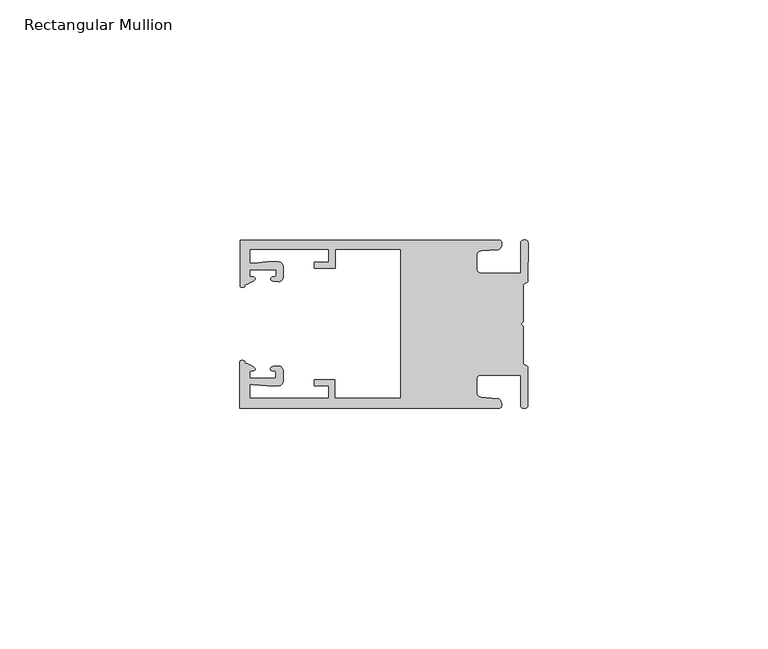
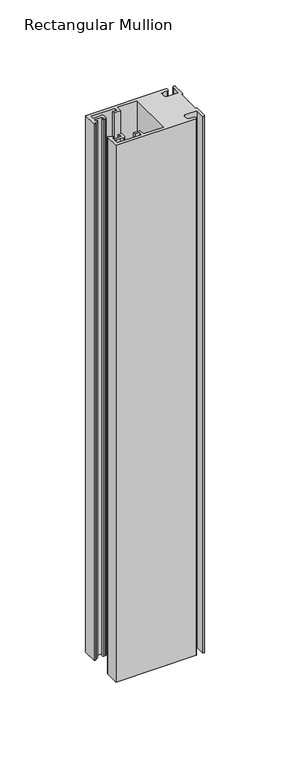
"""IFC4 building model written with IfcOpenShell, lengths in millimetres: member geometry, Rectangular Mullion."""

from ifc_helpers import new_model, si_unit, frame, origin, place, context, project, spatial, circle_curve, source, transform, mapped, element, save
from ifc_brep_helpers import plane_surface, cylinder_surface, extruded_surface, spline_curve, advanced_brep


def rectangular_mullion_5c6021ec(model_context):
    return source(origin(), model_context, "Body", "AdvancedBrep", [
        advanced_brep(
        [(-60.0749377, 17.5111528, 0.0), (-60.0749377, 8.0140787, 0.0), (-59.3252567, 7.7187455, 0.0), (-58.4967974, 8.36785, 0.0), (-58.0726619, 10.1173923, 0.0), (-58.0713101, 11.3673916, 0.0), (-52.5713133, 11.3614437, 0.0), (-52.5726651, 10.1114444, 0.0), (-53.1427626, 8.8955539, 0.0), (-52.0740172, 8.8609044, 0.0), (-51.0729364, 9.8598224, 0.0), (-51.0706653, 11.9598211, 0.0), (-52.0700692, 12.9609024, 0.0), (-54.3905105, 12.9622843, 0.0), (-57.1599646, 12.7230061, 0.0), (-58.0696339, 12.9173907, 0.0), (-58.066768, 15.5673891, 0.0), (-41.5667584, 15.5673891, 0.0), (-41.5695894, 12.9495468, 0.0), (-44.5695877, 12.9527912, 0.0), (-44.5709936, 11.6527919, 0.0), (-40.2709961, 11.6481417, 0.0), (-40.2667576, 15.5673891, 0.0), (-26.6002952, 15.5673891, 0.0), (-26.6002952, -15.4518424, 0.0), (-40.3003032, -15.4518424, 0.0), (-40.2960856, -11.5518447, 0.0), (-44.5960831, -11.5471945, 0.0), (-44.597489, -12.8471938, 0.0), (-41.5974907, -12.8504381, 0.0), (-41.6003025, -15.4504366, 0.0), (-58.1002928, -15.4325927, 0.0), (-58.097427, -12.7825943, 0.0), (-57.1873395, -12.5901776, 0.0), (-54.4184094, -12.8354453, 0.0), (-52.0979705, -12.8390822, 0.0), (-51.0964037, -11.8401649, 0.0), (-51.0941327, -9.7401662, 0.0), (-52.0930507, -8.7390853, 0.0), (-53.1618685, -8.7714231, 0.0), (-52.5944022, -9.9885439, 0.0), (-52.595754, -11.2385431, 0.0), (-58.0957508, -11.2325952, 0.0), (-58.094399, -9.9825959, 0.0), (-58.5147494, -8.2321403, 0.0), (-59.3418028, -7.5812455, 0.0), (-60.0921208, -7.8749565, 0.0), (-60.0921208, -17.4888267, 0.0), (-6.1024861, -17.4888267, 0.0), (-6.5218639, -15.488372, 0.0), (-9.8784944, -15.2205466, 0.0), (-10.7989567, -14.2226333, 0.0), (-10.7961029, -11.5837474, 0.0), (-9.8734844, -10.5878272, 0.0), (-1.5950266, -10.5934991, 0.0), (-1.601948, -16.9936935, 0.0), (-0.1017194, -16.7830581, 0.0), (-0.0933208, -9.0170082, 0.0), (-1.0923837, -8.1499018, 0.0), (-1.0842165, -0.5977972, 0.0), (-1.0829111, 0.6093089, 0.0), (-1.0747439, 8.1614135, 0.0), (-0.0738079, 9.026357, 0.0), (-0.0654093, 16.7924069, 0.0), (-1.5651789, 17.0062866, 0.0), (-1.5651789, 10.6183257, 0.0), (-9.8505511, 10.6183257, 0.0), (-10.7710133, 11.6162391, 0.0), (-10.7681595, 14.255125, 0.0), (-9.845541, 15.2510452, 0.0), (-6.4883391, 15.5116099, 0.0), (-6.0646356, 17.5111528, 0.0), (-60.0749377, 17.5111528, -381.1666665), (-6.0646356, 17.5111528, -381.1666665), (-6.4883391, 15.5116099, -381.1666665), (-9.845541, 15.2510452, -381.1666665), (-10.7681595, 14.255125, -381.1666665), (-10.7710133, 11.6162391, -381.1666665), (-9.8505511, 10.6183257, -381.1666665), (-1.5651789, 10.6183257, -381.1666665), (-1.5651789, 17.0062866, -381.1666665), (-0.0654093, 16.7924069, -381.1666665), (-0.0738079, 9.026357, -381.1666665), (-1.0747439, 8.1614135, -381.1666665), (-1.0829111, 0.6093089, -381.1666665), (-1.0842165, -0.5977972, -381.1666665), (-1.0923837, -8.1499018, -381.1666665), (-0.0933208, -9.0170082, -381.1666665), (-0.1017194, -16.7830581, -381.1666665), (-1.601948, -16.9936935, -381.1666665), (-1.5950266, -10.5934991, -381.1666665), (-9.8734844, -10.5878272, -381.1666665), (-10.7961029, -11.5837474, -381.1666665), (-10.7989567, -14.2226333, -381.1666665), (-9.8784944, -15.2205466, -381.1666665), (-6.5218639, -15.488372, -381.1666665), (-6.1024861, -17.4888267, -381.1666665), (-60.0921208, -17.4888267, -381.1666665), (-60.0921208, -7.8749565, -381.1666665), (-59.3418028, -7.5812455, -381.1666665), (-58.5147494, -8.2321403, -381.1666665), (-58.094399, -9.9825959, -381.1666665), (-58.0957508, -11.2325952, -381.1666665), (-52.595754, -11.2385431, -381.1666665), (-52.5944022, -9.9885439, -381.1666665), (-53.1618685, -8.7714231, -381.1666665), (-52.0930507, -8.7390853, -381.1666665), (-51.0941327, -9.7401662, -381.1666665), (-51.0964037, -11.8401649, -381.1666665), (-52.0979705, -12.8390823, -381.1666665), (-54.4184094, -12.8354453, -381.1666665), (-57.1873395, -12.5901776, -381.1666665), (-58.097427, -12.7825943, -381.1666665), (-58.1002928, -15.4325927, -381.1666665), (-41.6003025, -15.4504366, -381.1666665), (-41.5974907, -12.8504381, -381.1666665), (-44.597489, -12.8471938, -381.1666665), (-44.5960831, -11.5471945, -381.1666665), (-40.2960856, -11.5518447, -381.1666665), (-40.3003032, -15.4518424, -381.1666665), (-26.6002952, -15.4518424, -381.1666665), (-26.6002952, 15.5673891, -381.1666665), (-40.2667576, 15.5673891, -381.1666665), (-40.2709961, 11.6481417, -381.1666665), (-44.5709936, 11.6527919, -381.1666665), (-44.5695877, 12.9527912, -381.1666665), (-41.5695894, 12.9495468, -381.1666665), (-41.5667584, 15.5673891, -381.1666665), (-58.066768, 15.5673891, -381.1666665), (-58.0696339, 12.9173907, -381.1666665), (-57.1599646, 12.7230061, -381.1666665), (-54.3905105, 12.9622843, -381.1666665), (-52.0700692, 12.9609023, -381.1666665), (-51.0706653, 11.9598211, -381.1666665), (-51.0729364, 9.8598224, -381.1666665), (-52.0740172, 8.8609044, -381.1666665), (-53.1427626, 8.8955539, -381.1666665), (-52.5726651, 10.1114444, -381.1666665), (-52.5713133, 11.3614437, -381.1666665), (-58.0713101, 11.3673916, -381.1666665), (-58.0726619, 10.1173923, -381.1666665), (-58.4967974, 8.36785, -381.1666665), (-59.3252567, 7.7187455, -381.1666665), (-60.0749377, 8.0140787, -381.1666665)],
        [
            (0, 1),
            (1, 2, spline_curve(3, [(-60.0749377, 8.0140787, 0.0), (-60.075233123, 7.740904774, 0.0), (-59.825339491, 7.642460332, 0.0), (-59.3252567, 7.7187455, 0.0)], [4, 4], [0.0, 0.0019169337574178654])),
            (2, 3, spline_curve(3, [(-59.3252567, 7.7187455, 0.0), (-59.094460914, 7.75918372, 0.0), (-59.054835463, 7.902257199, 0.0), (-59.05559987, 8.233305614, 0.0), (-59.138729113, 8.4134359, 0.0), (-58.4967974, 8.36785, 0.0)], [4, 2, 4], [0.0, 0.0010199524164107188, 0.0024874514725970356])),
            (3, 4, spline_curve(3, [(-58.4967974, 8.36785, 0.0), (-57.022393378, 9.053435667, 0.0), (-56.827266887, 9.364828726, 0.0), (-56.982213078, 9.742623404, 0.0), (-57.177375211, 9.855581791, 0.0), (-57.697928101, 9.887955071, 0.0), (-57.997449153, 9.835475348, 0.0), (-58.0726619, 10.1173923, 0.0)], [4, 2, 2, 4], [0.0, 0.003269869179570428, 0.005490050486237203, 0.0073545767114364426])),
            (4, 5),
            (5, 6),
            (6, 7),
            (7, 8, spline_curve(3, [(-52.5726651, 10.1114444, 0.0), (-52.667195519, 9.760172042, 0.0), (-52.937094388, 9.861877724, 0.0), (-53.356237032, 9.895631753, 0.0), (-53.491940439, 9.811038713, 0.0), (-53.761900775, 9.511438033, 0.0), (-53.892893546, 9.278787104, 0.0), (-53.1427626, 8.8955539, 0.0)], [4, 2, 2, 4], [0.0, 0.001593963049934732, 0.0033360256320283306, 0.005339140673503943])),
            (8, 9),
            (9, 10, circle_curve(frame((-52.0729358, 9.8609038, 0.0), z_axis=(0.0, 0.0, 1.0), x_axis=(-0.0010814451158600304, -0.9999994152380598, 0.0)), 1.0)),
            (10, 11),
            (11, 12, circle_curve(frame((-52.0706647, 11.9609026, 0.0), z_axis=(0.0, 0.0, 1.0), x_axis=(-0.0010814451158600304, -0.9999994152380598, 0.0)), 1.0)),
            (12, 13),
            (13, 14),
            (14, 15, spline_curve(3, [(-57.1599646, 12.7230061, 0.0), (-57.631533854, 12.682262968, 0.0), (-58.018602985, 12.477800124, 0.0), (-58.0696339, 12.9173907, 0.0)], [4, 4], [0.0, 0.0014803385355886016])),
            (15, 16),
            (16, 17),
            (17, 18),
            (18, 19),
            (19, 20),
            (20, 21),
            (21, 22),
            (22, 23),
            (23, 24),
            (24, 25),
            (25, 26),
            (26, 27),
            (27, 28),
            (28, 29),
            (29, 30),
            (30, 31),
            (31, 32),
            (32, 33, spline_curve(3, [(-58.097427, -12.7825943, 0.0), (-58.045445419, -12.343115126, 0.0), (-57.658819528, -12.548414611, 0.0), (-57.1873395, -12.5901776, 0.0)], [4, 4], [0.0, 0.0014803385355886016])),
            (33, 34),
            (34, 35),
            (35, 36, circle_curve(frame((-52.0964031, -11.8390835, 0.0), z_axis=(0.0, 0.0, 1.0), x_axis=(0.0010814451158600304, 0.9999994152380598, 0.0)), 1.0)),
            (36, 37),
            (37, 38, circle_curve(frame((-52.0941321, -9.7390847, 0.0), z_axis=(0.0, 0.0, 1.0), x_axis=(0.0010814451158600304, 0.9999994152380598, 0.0)), 1.0)),
            (38, 39),
            (39, 40, spline_curve(3, [(-53.1618685, -8.7714231, 0.0), (-53.912826582, -9.153032958, 0.0), (-53.782337352, -9.385966711, 0.0), (-53.51302565, -9.686150585, 0.0), (-53.377505444, -9.771037009, 0.0), (-52.958290774, -9.738189618, 0.0), (-52.688172635, -9.637067904, 0.0), (-52.5944022, -9.9885439, 0.0)], [4, 2, 2, 4], [0.0, 0.002003115041475612, 0.0037451776235692107, 0.005339140673503943])),
            (40, 41),
            (41, 42),
            (42, 43),
            (43, 44, spline_curve(3, [(-58.094399, -9.9825959, 0.0), (-58.018576674, -9.700842284, 0.0), (-57.719169706, -9.753969703, 0.0), (-57.198548014, -9.722722397, 0.0), (-57.003142178, -9.61018632, 0.0), (-56.847379222, -9.232727657, 0.0), (-57.041831673, -8.920913336, 0.0), (-58.5147494, -8.2321403, 0.0)], [4, 2, 2, 4], [0.0, 0.0018645262251992395, 0.004084707531866015, 0.0073545767114364426])),
            (44, 45, spline_curve(3, [(-58.5147494, -8.2321403, 0.0), (-59.156778208, -8.276337666, 0.0), (-59.073259494, -8.096387681, 0.0), (-59.071779067, -7.765341694, 0.0), (-59.111095017, -7.622182811, 0.0), (-59.3418028, -7.5812455, 0.0)], [4, 2, 4], [0.0, 0.0014674990561863168, 0.0024874514725970356])),
            (45, 46, spline_curve(3, [(-59.3418028, -7.5812455, 0.0), (-59.841719425, -7.503878887, 0.0), (-60.091825377, -7.601782574, 0.0), (-60.0921208, -7.8749565, 0.0)], [4, 4], [0.0, 0.0019169337574178654])),
            (46, 47),
            (47, 48),
            (48, 49, spline_curve(3, [(-6.1024861, -17.4888267, 0.0), (-5.074532184, -17.418062188, 0.0), (-5.631140689, -15.411414367, 0.0), (-6.5218639, -15.488372, 0.0)], [4, 4], [0.0, 0.0043819361547461745])),
            (49, 50),
            (50, 51, spline_curve(3, [(-9.8784944, -15.2205466, 0.0), (-10.440691543, -15.150698463, 0.0), (-10.74751234, -14.818060727, 0.0), (-10.7989567, -14.2226333, 0.0)], [4, 4], [0.0, 0.0028645797420738927])),
            (51, 52),
            (52, 53, spline_curve(3, [(-10.7961029, -11.5837474, 0.0), (-10.743370817, -10.988432634, 0.0), (-10.435831301, -10.656459204, 0.0), (-9.8734844, -10.5878272, 0.0)], [4, 4], [0.0, 0.0028645797420738927])),
            (53, 54),
            (54, 55),
            (55, 56, spline_curve(3, [(-1.601948, -16.9936935, 0.0), (-1.655676874, -17.600261454, 0.0), (-0.043737403, -17.912795581, 0.0), (-0.1017194, -16.7830581, 0.0)], [4, 4], [0.0, 0.0036987374396357936])),
            (56, 57),
            (57, 58, spline_curve(3, [(-0.0933208, -9.0170082, 0.0), (-0.018818183, -8.695886697, 0.0), (-1.193434327, -8.459763043, 0.0), (-1.0923837, -8.1499018, 0.0)], [4, 4], [0.0, 0.002027216749630121])),
            (58, 59),
            (59, 60, spline_curve(3, [(-1.0842165, -0.5977972, 0.0), (-1.013223198, -0.445980437, 0.0), (-1.487945123, -0.206736825, 0.0), (-1.487409651, 0.231097965, 0.0), (-0.999110985, 0.429090391, 0.0), (-1.0829111, 0.6093089, 0.0)], [4, 2, 4], [0.0, 0.00249866671847065, 0.005031402919736269])),
            (60, 61),
            (61, 62, spline_curve(3, [(-1.0747439, 8.1614135, 0.0), (-1.175124095, 8.47149258, 0.0), (-7e-09, 8.705075107, 0.0), (-0.0738079, 9.026357, 0.0)], [4, 4], [0.0, 0.002027216749630121])),
            (62, 63),
            (63, 64, spline_curve(3, [(-0.0654093, 16.7924069, 0.0), (-0.004983942, 17.92201633, 0.0), (-1.617595709, 17.612969344, 0.0), (-1.5651789, 17.0062866, 0.0)], [4, 4], [0.0, 0.0036987374396357936])),
            (64, 65),
            (65, 66),
            (66, 67, spline_curve(3, [(-9.8505511, 10.6183257, 0.0), (-10.412748243, 10.688173837, 0.0), (-10.71956894, 11.020811673, 0.0), (-10.7710133, 11.6162391, 0.0)], [4, 4], [0.0, 0.0028645797420738927])),
            (67, 68),
            (68, 69, spline_curve(3, [(-10.7681595, 14.255125, 0.0), (-10.715427417, 14.850439766, 0.0), (-10.407887901, 15.182413196, 0.0), (-9.845541, 15.2510452, 0.0)], [4, 4], [0.0, 0.0028645797420738927])),
            (69, 70),
            (70, 71, spline_curve(3, [(-6.4883391, 15.5116099, 0.0), (-5.597784423, 15.432725911, 0.0), (-5.036837144, 17.438165103, 0.0), (-6.0646356, 17.5111528, 0.0)], [4, 4], [0.0, 0.0043819361547461745])),
            (71, 0),
            (72, 73),
            (73, 74, spline_curve(3, [(-6.0646356, 17.5111528, -381.1666665), (-5.036837144, 17.438165103, -381.1666665), (-5.597784423, 15.432725911, -381.1666665), (-6.4883391, 15.5116099, -381.1666665)], [4, 4], [0.0, 0.0043819361547461745])),
            (74, 75),
            (75, 76, spline_curve(3, [(-9.845541, 15.2510452, -381.1666665), (-10.407887901, 15.182413196, -381.1666665), (-10.715427417, 14.850439766, -381.1666665), (-10.7681595, 14.255125, -381.1666665)], [4, 4], [0.0, 0.0028645797420738927])),
            (76, 77),
            (77, 78, spline_curve(3, [(-10.7710133, 11.6162391, -381.1666665), (-10.71956894, 11.020811673, -381.1666665), (-10.412748243, 10.688173837, -381.1666665), (-9.8505511, 10.6183257, -381.1666665)], [4, 4], [0.0, 0.0028645797420738927])),
            (78, 79),
            (79, 80),
            (80, 81, spline_curve(3, [(-1.5651789, 17.0062866, -381.1666665), (-1.617595709, 17.612969344, -381.1666665), (-0.004983942, 17.92201633, -381.1666665), (-0.0654093, 16.7924069, -381.1666665)], [4, 4], [0.0, 0.0036987374396357936])),
            (81, 82),
            (82, 83, spline_curve(3, [(-0.0738079, 9.026357, -381.1666665), (-7e-09, 8.705075107, -381.1666665), (-1.175124095, 8.47149258, -381.1666665), (-1.0747439, 8.1614135, -381.1666665)], [4, 4], [0.0, 0.002027216749630121])),
            (83, 84),
            (84, 85, spline_curve(3, [(-1.0829111, 0.6093089, -381.1666665), (-0.999110985, 0.429090391, -381.1666665), (-1.487409651, 0.231097965, -381.1666665), (-1.487945123, -0.206736825, -381.1666665), (-1.013223198, -0.445980437, -381.1666665), (-1.0842165, -0.5977972, -381.1666665)], [4, 2, 4], [0.0, 0.002532736201265619, 0.005031402919736269])),
            (85, 86),
            (86, 87, spline_curve(3, [(-1.0923837, -8.1499018, -381.1666665), (-1.193434327, -8.459763043, -381.1666665), (-0.018818183, -8.695886697, -381.1666665), (-0.0933208, -9.0170082, -381.1666665)], [4, 4], [0.0, 0.002027216749630121])),
            (87, 88),
            (88, 89, spline_curve(3, [(-0.1017194, -16.7830581, -381.1666665), (-0.043737403, -17.912795581, -381.1666665), (-1.655676874, -17.600261454, -381.1666665), (-1.601948, -16.9936935, -381.1666665)], [4, 4], [0.0, 0.0036987374396357936])),
            (89, 90),
            (90, 91),
            (91, 92, spline_curve(3, [(-9.8734844, -10.5878272, -381.1666665), (-10.435831301, -10.656459204, -381.1666665), (-10.743370817, -10.988432634, -381.1666665), (-10.7961029, -11.5837474, -381.1666665)], [4, 4], [0.0, 0.0028645797420738927])),
            (92, 93),
            (93, 94, spline_curve(3, [(-10.7989567, -14.2226333, -381.1666665), (-10.74751234, -14.818060727, -381.1666665), (-10.440691543, -15.150698463, -381.1666665), (-9.8784944, -15.2205466, -381.1666665)], [4, 4], [0.0, 0.0028645797420738927])),
            (94, 95),
            (95, 96, spline_curve(3, [(-6.5218639, -15.488372, -381.1666665), (-5.631140689, -15.411414367, -381.1666665), (-5.074532184, -17.418062188, -381.1666665), (-6.1024861, -17.4888267, -381.1666665)], [4, 4], [0.0, 0.0043819361547461745])),
            (96, 97),
            (97, 98),
            (98, 99, spline_curve(3, [(-60.0921208, -7.8749565, -381.1666665), (-60.091825377, -7.601782574, -381.1666665), (-59.841719425, -7.503878887, -381.1666665), (-59.3418028, -7.5812455, -381.1666665)], [4, 4], [0.0, 0.0019169337574178654])),
            (99, 100, spline_curve(3, [(-59.3418028, -7.5812455, -381.1666665), (-59.111095017, -7.622182811, -381.1666665), (-59.071779067, -7.765341694, -381.1666665), (-59.073259494, -8.096387681, -381.1666665), (-59.156778208, -8.276337666, -381.1666665), (-58.5147494, -8.2321403, -381.1666665)], [4, 2, 4], [0.0, 0.0010199524164107188, 0.0024874514725970356])),
            (100, 101, spline_curve(3, [(-58.5147494, -8.2321403, -381.1666665), (-57.041831673, -8.920913336, -381.1666665), (-56.847379222, -9.232727657, -381.1666665), (-57.003142178, -9.61018632, -381.1666665), (-57.198548014, -9.722722397, -381.1666665), (-57.719169706, -9.753969703, -381.1666665), (-58.018576674, -9.700842284, -381.1666665), (-58.094399, -9.9825959, -381.1666665)], [4, 2, 2, 4], [0.0, 0.003269869179570428, 0.005490050486237203, 0.0073545767114364426])),
            (101, 102),
            (102, 103),
            (103, 104),
            (104, 105, spline_curve(3, [(-52.5944022, -9.9885439, -381.1666665), (-52.688172635, -9.637067904, -381.1666665), (-52.958290774, -9.738189618, -381.1666665), (-53.377505444, -9.771037009, -381.1666665), (-53.51302565, -9.686150585, -381.1666665), (-53.782337352, -9.385966711, -381.1666665), (-53.912826582, -9.153032958, -381.1666665), (-53.1618685, -8.7714231, -381.1666665)], [4, 2, 2, 4], [0.0, 0.001593963049934732, 0.0033360256320283306, 0.005339140673503943])),
            (105, 106),
            (106, 107, circle_curve(frame((-52.0941321, -9.7390847, -381.1666665), z_axis=(0.0, 0.0, -1.0), x_axis=(0.0010814451158600304, 0.9999994152380598, 0.0)), 1.0)),
            (107, 108),
            (108, 109, circle_curve(frame((-52.0964031, -11.8390835, -381.1666665), z_axis=(0.0, 0.0, -1.0), x_axis=(0.0010814451158600304, 0.9999994152380598, 0.0)), 1.0)),
            (109, 110),
            (110, 111),
            (111, 112, spline_curve(3, [(-57.1873395, -12.5901776, -381.1666665), (-57.658819528, -12.548414611, -381.1666665), (-58.045445419, -12.343115126, -381.1666665), (-58.097427, -12.7825943, -381.1666665)], [4, 4], [0.0, 0.0014803385355886016])),
            (112, 113),
            (113, 114),
            (114, 115),
            (115, 116),
            (116, 117),
            (117, 118),
            (118, 119),
            (119, 120),
            (120, 121),
            (121, 122),
            (122, 123),
            (123, 124),
            (124, 125),
            (125, 126),
            (126, 127),
            (127, 128),
            (128, 129),
            (129, 130, spline_curve(3, [(-58.0696339, 12.9173907, -381.1666665), (-58.018602985, 12.477800124, -381.1666665), (-57.631533854, 12.682262968, -381.1666665), (-57.1599646, 12.7230061, -381.1666665)], [4, 4], [0.0, 0.0014803385355886016])),
            (130, 131),
            (131, 132),
            (132, 133, circle_curve(frame((-52.0706647, 11.9609026, -381.1666665), z_axis=(0.0, 0.0, -1.0), x_axis=(-0.0010814451158600304, -0.9999994152380598, 0.0)), 1.0)),
            (133, 134),
            (134, 135, circle_curve(frame((-52.0729358, 9.8609038, -381.1666665), z_axis=(0.0, 0.0, -1.0), x_axis=(-0.0010814451158600304, -0.9999994152380598, 0.0)), 1.0)),
            (135, 136),
            (136, 137, spline_curve(3, [(-53.1427626, 8.8955539, -381.1666665), (-53.892893546, 9.278787104, -381.1666665), (-53.761900775, 9.511438033, -381.1666665), (-53.491940439, 9.811038713, -381.1666665), (-53.356237032, 9.895631753, -381.1666665), (-52.937094388, 9.861877724, -381.1666665), (-52.667195519, 9.760172042, -381.1666665), (-52.5726651, 10.1114444, -381.1666665)], [4, 2, 2, 4], [0.0, 0.002003115041475612, 0.0037451776235692107, 0.005339140673503943])),
            (137, 138),
            (138, 139),
            (139, 140),
            (140, 141, spline_curve(3, [(-58.0726619, 10.1173923, -381.1666665), (-57.997449153, 9.835475348, -381.1666665), (-57.697928101, 9.887955071, -381.1666665), (-57.177375211, 9.855581791, -381.1666665), (-56.982213078, 9.742623404, -381.1666665), (-56.827266887, 9.364828726, -381.1666665), (-57.022393378, 9.053435667, -381.1666665), (-58.4967974, 8.36785, -381.1666665)], [4, 2, 2, 4], [0.0, 0.0018645262251992395, 0.004084707531866015, 0.0073545767114364426])),
            (141, 142, spline_curve(3, [(-58.4967974, 8.36785, -381.1666665), (-59.138729113, 8.4134359, -381.1666665), (-59.05559987, 8.233305614, -381.1666665), (-59.054835463, 7.902257199, -381.1666665), (-59.094460914, 7.75918372, -381.1666665), (-59.3252567, 7.7187455, -381.1666665)], [4, 2, 4], [0.0, 0.0014674990561863168, 0.0024874514725970356])),
            (142, 143, spline_curve(3, [(-59.3252567, 7.7187455, -381.1666665), (-59.825339491, 7.642460332, -381.1666665), (-60.075233123, 7.740904774, -381.1666665), (-60.0749377, 8.0140787, -381.1666665)], [4, 4], [0.0, 0.0019169337574178654])),
            (143, 72),
            (0, 72),
            (143, 1),
            (142, 2),
            (141, 3),
            (140, 4),
            (139, 5),
            (138, 6),
            (137, 7),
            (136, 8),
            (135, 9),
            (134, 10),
            (133, 11),
            (132, 12),
            (131, 13),
            (130, 14),
            (129, 15),
            (128, 16),
            (127, 17),
            (126, 18),
            (125, 19),
            (124, 20),
            (123, 21),
            (122, 22),
            (121, 23),
            (120, 24),
            (119, 25),
            (118, 26),
            (117, 27),
            (116, 28),
            (115, 29),
            (114, 30),
            (113, 31),
            (112, 32),
            (111, 33),
            (110, 34),
            (109, 35),
            (108, 36),
            (107, 37),
            (106, 38),
            (105, 39),
            (104, 40),
            (103, 41),
            (102, 42),
            (101, 43),
            (100, 44),
            (99, 45),
            (98, 46),
            (97, 47),
            (96, 48),
            (95, 49),
            (94, 50),
            (93, 51),
            (92, 52),
            (91, 53),
            (90, 54),
            (89, 55),
            (88, 56),
            (87, 57),
            (86, 58),
            (85, 59),
            (84, 60),
            (83, 61),
            (82, 62),
            (81, 63),
            (80, 64),
            (79, 65),
            (78, 66),
            (77, 67),
            (76, 68),
            (75, 69),
            (74, 70),
            (73, 71),
        ],
        [
            plane_surface(frame((0.0, -62.5853181, 0.0), z_axis=(0.0, 0.0, 1.0), x_axis=(-1.0, 0.0, 0.0))),
            plane_surface(frame((0.0, -62.5853181, -381.1666665), z_axis=(0.0, 0.0, -1.0), x_axis=(-1.0, 0.0, 0.0))),
            plane_surface(frame((-60.0749377, 17.5111528, 0.0), z_axis=(-1.0, 0.0, 0.0), x_axis=(0.0, 0.0, -1.0))),
            extruded_surface(spline_curve(3, [(-60.0749377, 8.0140787, -381.1666665), (-60.075233123, 7.740904774, -381.1666665), (-59.825339491, 7.642460332, -381.1666665), (-59.3252567, 7.7187455, -381.1666665)], [4, 4], [0.0, 0.0019169337574178654]), (0.0, 0.0, 381.1666665), 381.1666665),
            extruded_surface(spline_curve(3, [(-59.3252567, 7.7187455, -381.1666665), (-59.094460914, 7.75918372, -381.1666665), (-59.054835463, 7.902257199, -381.1666665), (-59.05559987, 8.233305614, -381.1666665), (-59.138729113, 8.4134359, -381.1666665), (-58.4967974, 8.36785, -381.1666665)], [4, 2, 4], [0.0, 0.0010199524164107188, 0.0024874514725970356]), (0.0, 0.0, 381.1666665), 381.1666665),
            extruded_surface(spline_curve(3, [(-58.4967974, 8.36785, -381.1666665), (-57.022393378, 9.053435667, -381.1666665), (-56.827266887, 9.364828726, -381.1666665), (-56.982213078, 9.742623404, -381.1666665), (-57.177375211, 9.855581791, -381.1666665), (-57.697928101, 9.887955071, -381.1666665), (-57.997449153, 9.835475348, -381.1666665), (-58.0726619, 10.1173923, -381.1666665)], [4, 2, 2, 4], [0.0, 0.003269869179570428, 0.005490050486237203, 0.0073545767114364426]), (0.0, 0.0, 381.1666665), 381.1666665),
            plane_surface(frame((-58.0726619, 10.1173923, 0.0), z_axis=(0.9999994152380598, -0.0010814451158634145, 0.0), x_axis=(0.0, 0.0, -1.0))),
            plane_surface(frame((-58.0713101, 11.3673916, 0.0), z_axis=(-0.0010814451158616418, -0.9999994152380598, 0.0), x_axis=(0.0, 0.0, -1.0))),
            plane_surface(frame((-52.5713133, 11.3614437, 0.0), z_axis=(-0.9999994152380598, 0.0010814451158643293, 0.0), x_axis=(0.0, 0.0, -1.0))),
            extruded_surface(spline_curve(3, [(-52.5726651, 10.1114444, -381.1666665), (-52.667195519, 9.760172042, -381.1666665), (-52.937094388, 9.861877724, -381.1666665), (-53.356237032, 9.895631753, -381.1666665), (-53.491940439, 9.811038713, -381.1666665), (-53.761900775, 9.511438033, -381.1666665), (-53.892893546, 9.278787104, -381.1666665), (-53.1427626, 8.8955539, -381.1666665)], [4, 2, 2, 4], [0.0, 0.001593963049934732, 0.0033360256320283306, 0.005339140673503943]), (0.0, 0.0, 381.1666665), 381.1666665),
            plane_surface(frame((-53.1427626, 8.8955539, 0.0), z_axis=(-0.032403661401520414, -0.9994748634797054, 0.0), x_axis=(0.0, 0.0, -1.0))),
            cylinder_surface(frame((-52.0729358, 9.8609038, 0.0), z_axis=(0.0, 0.0, 1.0000000000000002), x_axis=(-0.0010814451158600304, -0.9999994152380598, 0.0)), 1.0),
            plane_surface(frame((-51.0729364, 9.8598224, 0.0), z_axis=(0.9999994152380598, -0.001081445115864059, 0.0), x_axis=(0.0, 0.0, -1.0))),
            cylinder_surface(frame((-52.0706647, 11.9609026, 0.0), z_axis=(0.0, 0.0, 1.0000000000000002), x_axis=(-0.0010814451158600304, -0.9999994152380598, 0.0)), 1.0),
            plane_surface(frame((-52.0700692, 12.9609023, 0.0), z_axis=(0.0005955716436318007, 0.999999822647193, 0.0), x_axis=(0.0, 0.0, -1.0))),
            plane_surface(frame((-54.3905105, 12.9622843, 0.0), z_axis=(-0.08607836189159865, 0.9962883697073147, 0.0), x_axis=(0.0, 0.0, -1.0))),
            extruded_surface(spline_curve(3, [(-57.1599646, 12.7230061, -381.1666665), (-57.631533854, 12.682262968, -381.1666665), (-58.018602985, 12.477800124, -381.1666665), (-58.0696339, 12.9173907, -381.1666665)], [4, 4], [0.0, 0.0014803385355886016]), (0.0, 0.0, 381.1666665), 381.1666665),
            plane_surface(frame((-58.0696339, 12.9173907, 0.0), z_axis=(0.9999994152380598, -0.0010814451158629996, 0.0), x_axis=(0.0, 0.0, -1.0))),
            plane_surface(frame((-58.066768, 15.5673891, 0.0), z_axis=(0.0, -1.0, 0.0), x_axis=(0.0, 0.0, -1.0))),
            plane_surface(frame((-41.5667584, 15.5673891, 0.0), z_axis=(-0.9999994152380598, 0.0010814451158636304, 0.0), x_axis=(0.0, 0.0, -1.0))),
            plane_surface(frame((-41.5695894, 12.9495468, 0.0), z_axis=(0.0010814451158615687, 0.9999994152380598, 0.0), x_axis=(0.0, 0.0, -1.0))),
            plane_surface(frame((-44.5695877, 12.9527912, 0.0), z_axis=(-0.9999994152380598, 0.0010814451158626742, 0.0), x_axis=(0.0, 0.0, -1.0))),
            plane_surface(frame((-44.5709936, 11.6527919, 0.0), z_axis=(-0.001081445115861604, -0.9999994152380598, 0.0), x_axis=(0.0, 0.0, -1.0))),
            plane_surface(frame((-40.2709961, 11.6481417, 0.0), z_axis=(0.9999994152380598, -0.001081445115863507, 0.0), x_axis=(0.0, 0.0, -1.0))),
            plane_surface(frame((-40.2667576, 15.5673891, 0.0), z_axis=(0.0, -1.0, 0.0), x_axis=(0.0, 0.0, -1.0))),
            plane_surface(frame((-26.6002952, 15.5673891, 0.0), z_axis=(-1.0, 0.0, 0.0), x_axis=(0.0, 0.0, -1.0))),
            plane_surface(frame((-26.6002952, -15.4518424, 0.0), z_axis=(0.0, 1.0, 0.0), x_axis=(0.0, 0.0, -1.0))),
            plane_surface(frame((-40.3003032, -15.4518424, 0.0), z_axis=(0.9999994152380598, -0.0010814451158565538, 0.0), x_axis=(0.0, 0.0, -1.0))),
            plane_surface(frame((-40.2960856, -11.5518447, 0.0), z_axis=(0.0010814451158584568, 0.9999994152380598, 0.0), x_axis=(0.0, 0.0, -1.0))),
            plane_surface(frame((-44.5960831, -11.5471945, 0.0), z_axis=(-0.9999994152380598, 0.0010814451158573867, 0.0), x_axis=(0.0, 0.0, -1.0))),
            plane_surface(frame((-44.597489, -12.8471938, 0.0), z_axis=(-0.0010814451158584922, -0.9999994152380598, 0.0), x_axis=(0.0, 0.0, -1.0))),
            plane_surface(frame((-41.5974907, -12.8504381, 0.0), z_axis=(-0.9999994152380598, 0.0010814451158564305, 0.0), x_axis=(0.0, 0.0, -1.0))),
            plane_surface(frame((-41.6003025, -15.4504366, 0.0), z_axis=(0.0010814451158583872, 0.9999994152380598, 0.0), x_axis=(0.0, 0.0, -1.0))),
            plane_surface(frame((-58.1002928, -15.4325927, 0.0), z_axis=(0.9999994152380598, -0.0010814451158570612, 0.0), x_axis=(0.0, 0.0, -1.0))),
            extruded_surface(spline_curve(3, [(-58.097427, -12.7825943, -381.1666665), (-58.045445419, -12.343115126, -381.1666665), (-57.658819528, -12.548414611, -381.1666665), (-57.1873395, -12.5901776, -381.1666665)], [4, 4], [0.0, 0.0014803385355886016]), (0.0, 0.0, 381.1666665), 381.1666665),
            plane_surface(frame((-57.1873395, -12.5901776, 0.0), z_axis=(-0.0882330216729926, -0.9960998614026876, 0.0), x_axis=(0.0, 0.0, -1.0))),
            plane_surface(frame((-54.4184094, -12.8354453, 0.0), z_axis=(-0.0015673183327880543, -0.9999987717558677, 0.0), x_axis=(0.0, 0.0, -1.0))),
            cylinder_surface(frame((-52.0964031, -11.8390835, 0.0), z_axis=(0.0, 0.0, 1.0000000000000002), x_axis=(0.0010814451158600304, 0.9999994152380598, 0.0)), 1.0),
            plane_surface(frame((-51.0964037, -11.8401649, 0.0), z_axis=(0.9999994152380598, -0.001081445115856002, 0.0), x_axis=(0.0, 0.0, -1.0))),
            cylinder_surface(frame((-52.0941321, -9.7390847, 0.0), z_axis=(0.0, 0.0, 1.0000000000000002), x_axis=(0.0010814451158600304, 0.9999994152380598, 0.0)), 1.0),
            plane_surface(frame((-52.0930507, -8.7390853, 0.0), z_axis=(-0.030241832452872642, 0.9995426111826812, 0.0), x_axis=(0.0, 0.0, -1.0))),
            extruded_surface(spline_curve(3, [(-53.1618685, -8.7714231, -381.1666665), (-53.912826582, -9.153032958, -381.1666665), (-53.782337352, -9.385966711, -381.1666665), (-53.51302565, -9.686150585, -381.1666665), (-53.377505444, -9.771037009, -381.1666665), (-52.958290774, -9.738189618, -381.1666665), (-52.688172635, -9.637067904, -381.1666665), (-52.5944022, -9.9885439, -381.1666665)], [4, 2, 2, 4], [0.0, 0.002003115041475612, 0.0037451776235692107, 0.005339140673503943]), (0.0, 0.0, 381.1666665), 381.1666665),
            plane_surface(frame((-52.5944022, -9.9885439, 0.0), z_axis=(-0.9999994152380598, 0.0010814451158557316, 0.0), x_axis=(0.0, 0.0, -1.0))),
            plane_surface(frame((-52.595754, -11.2385431, 0.0), z_axis=(0.001081445115858419, 0.9999994152380598, 0.0), x_axis=(0.0, 0.0, -1.0))),
            plane_surface(frame((-58.0957508, -11.2325952, 0.0), z_axis=(0.9999994152380598, -0.0010814451158566464, 0.0), x_axis=(0.0, 0.0, -1.0))),
            extruded_surface(spline_curve(3, [(-58.094399, -9.9825959, -381.1666665), (-58.018576674, -9.700842284, -381.1666665), (-57.719169706, -9.753969703, -381.1666665), (-57.198548014, -9.722722397, -381.1666665), (-57.003142178, -9.61018632, -381.1666665), (-56.847379222, -9.232727657, -381.1666665), (-57.041831673, -8.920913336, -381.1666665), (-58.5147494, -8.2321403, -381.1666665)], [4, 2, 2, 4], [0.0, 0.0018645262251992395, 0.004084707531866015, 0.0073545767114364426]), (0.0, 0.0, 381.1666665), 381.1666665),
            extruded_surface(spline_curve(3, [(-58.5147494, -8.2321403, -381.1666665), (-59.156778208, -8.276337666, -381.1666665), (-59.073259494, -8.096387681, -381.1666665), (-59.071779067, -7.765341694, -381.1666665), (-59.111095017, -7.622182811, -381.1666665), (-59.3418028, -7.5812455, -381.1666665)], [4, 2, 4], [0.0, 0.0014674990561863168, 0.0024874514725970356]), (0.0, 0.0, 381.1666665), 381.1666665),
            extruded_surface(spline_curve(3, [(-59.3418028, -7.5812455, -381.1666665), (-59.841719425, -7.503878887, -381.1666665), (-60.091825377, -7.601782574, -381.1666665), (-60.0921208, -7.8749565, -381.1666665)], [4, 4], [0.0, 0.0019169337574178654]), (0.0, 0.0, 381.1666665), 381.1666665),
            plane_surface(frame((-60.0921208, -7.8749565, 0.0), z_axis=(-1.0, 0.0, 0.0), x_axis=(0.0, 0.0, -1.0))),
            plane_surface(frame((-60.0921208, -17.4888267, 0.0), z_axis=(0.0, -1.0, 0.0), x_axis=(0.0, 0.0, -1.0))),
            extruded_surface(spline_curve(3, [(-6.1024861, -17.4888267, -381.1666665), (-5.074532184, -17.418062188, -381.1666665), (-5.631140689, -15.411414367, -381.1666665), (-6.5218639, -15.488372, -381.1666665)], [4, 4], [0.0, 0.0043819361547461745]), (0.0, 0.0, 381.1666665), 381.1666665),
            plane_surface(frame((-6.5218639, -15.488372, 0.0), z_axis=(0.07953716124904908, 0.9968319015663789, 0.0), x_axis=(0.0, 0.0, -1.0))),
            extruded_surface(spline_curve(3, [(-9.8784944, -15.2205466, -381.1666665), (-10.440691543, -15.150698463, -381.1666665), (-10.74751234, -14.818060727, -381.1666665), (-10.7989567, -14.2226333, -381.1666665)], [4, 4], [0.0, 0.0028645797420738927]), (0.0, 0.0, 381.1666665), 381.1666665),
            plane_surface(frame((-10.7989567, -14.2226333, 0.0), z_axis=(0.9999994152380598, -0.0010814451158568247, 0.0), x_axis=(0.0, 0.0, -1.0))),
            extruded_surface(spline_curve(3, [(-10.7961029, -11.5837474, -381.1666665), (-10.743370817, -10.988432634, -381.1666665), (-10.435831301, -10.656459204, -381.1666665), (-9.8734844, -10.5878272, -381.1666665)], [4, 4], [0.0, 0.0028645797420738927]), (0.0, 0.0, 381.1666665), 381.1666665),
            plane_surface(frame((-9.8734844, -10.5878272, 0.0), z_axis=(-0.0006851371995361226, -0.9999997652934814, 0.0), x_axis=(0.0, 0.0, -1.0))),
            plane_surface(frame((-1.5950266, -10.5934991, 0.0), z_axis=(-0.9999994152380598, 0.0010814451158568644, 0.0), x_axis=(0.0, 0.0, -1.0))),
            extruded_surface(spline_curve(3, [(-1.601948, -16.9936935, -381.1666665), (-1.655676874, -17.600261454, -381.1666665), (-0.043737403, -17.912795581, -381.1666665), (-0.1017194, -16.7830581, -381.1666665)], [4, 4], [0.0, 0.0036987374396357936]), (0.0, 0.0, 381.1666665), 381.1666665),
            plane_surface(frame((-0.1017194, -16.7830581, 0.0), z_axis=(0.9999994152380598, -0.001081445115856699, 0.0), x_axis=(0.0, 0.0, -1.0))),
            extruded_surface(spline_curve(3, [(-0.0933208, -9.0170082, -381.1666665), (-0.018818183, -8.695886697, -381.1666665), (-1.193434327, -8.459763043, -381.1666665), (-1.0923837, -8.1499018, -381.1666665)], [4, 4], [0.0, 0.002027216749630121]), (0.0, 0.0, 381.1666665), 381.1666665),
            plane_surface(frame((-1.0923837, -8.1499018, 0.0), z_axis=(0.9999994152380598, -0.0010814451158566698, 0.0), x_axis=(0.0, 0.0, -1.0))),
            extruded_surface(spline_curve(3, [(-1.0842165, -0.5977972, -381.1666665), (-1.013223198, -0.445980437, -381.1666665), (-1.487945123, -0.206736825, -381.1666665), (-1.487409651, 0.231097965, -381.1666665), (-0.999110985, 0.429090391, -381.1666665), (-1.0829111, 0.6093089, -381.1666665)], [4, 2, 4], [0.0, 0.00249866671847065, 0.005031402919736269]), (0.0, 0.0, 381.1666665), 381.1666665),
            plane_surface(frame((-1.0829111, 0.6093089, 0.0), z_axis=(0.9999994152380598, -0.001081445115863391, 0.0), x_axis=(0.0, 0.0, -1.0))),
            extruded_surface(spline_curve(3, [(-1.0747439, 8.1614135, -381.1666665), (-1.175124095, 8.47149258, -381.1666665), (-7e-09, 8.705075107, -381.1666665), (-0.0738079, 9.026357, -381.1666665)], [4, 4], [0.0, 0.002027216749630121]), (0.0, 0.0, 381.1666665), 381.1666665),
            plane_surface(frame((-0.0738079, 9.026357, 0.0), z_axis=(0.9999994152380598, -0.001081445115863362, 0.0), x_axis=(0.0, 0.0, -1.0))),
            extruded_surface(spline_curve(3, [(-0.0654093, 16.7924069, -381.1666665), (-0.004983942, 17.92201633, -381.1666665), (-1.617595709, 17.612969344, -381.1666665), (-1.5651789, 17.0062866, -381.1666665)], [4, 4], [0.0, 0.0036987374396357936]), (0.0, 0.0, 381.1666665), 381.1666665),
            plane_surface(frame((-1.5651789, 17.0062866, 0.0), z_axis=(-1.0, 0.0, 0.0), x_axis=(0.0, 0.0, -1.0))),
            plane_surface(frame((-1.5651789, 10.6183257, 0.0), z_axis=(0.0, 1.0, 0.0), x_axis=(0.0, 0.0, -1.0))),
            extruded_surface(spline_curve(3, [(-9.8505511, 10.6183257, -381.1666665), (-10.412748243, 10.688173837, -381.1666665), (-10.71956894, 11.020811673, -381.1666665), (-10.7710133, 11.6162391, -381.1666665)], [4, 4], [0.0, 0.0028645797420738927]), (0.0, 0.0, 381.1666665), 381.1666665),
            plane_surface(frame((-10.7710133, 11.6162391, 0.0), z_axis=(0.9999994152380598, -0.0010814451158632362, 0.0), x_axis=(0.0, 0.0, -1.0))),
            extruded_surface(spline_curve(3, [(-10.7681595, 14.255125, -381.1666665), (-10.715427417, 14.850439766, -381.1666665), (-10.407887901, 15.182413196, -381.1666665), (-9.845541, 15.2510452, -381.1666665)], [4, 4], [0.0, 0.0028645797420738927]), (0.0, 0.0, 381.1666665), 381.1666665),
            plane_surface(frame((-9.845541, 15.2510452, 0.0), z_axis=(0.07738093848608862, -0.9970015999781607, 0.0), x_axis=(0.0, 0.0, -1.0))),
            extruded_surface(spline_curve(3, [(-6.4883391, 15.5116099, -381.1666665), (-5.597784423, 15.432725911, -381.1666665), (-5.036837144, 17.438165103, -381.1666665), (-6.0646356, 17.5111528, -381.1666665)], [4, 4], [0.0, 0.0043819361547461745]), (0.0, 0.0, 381.1666665), 381.1666665),
            plane_surface(frame((-6.0646356, 17.5111528, 0.0), z_axis=(0.0, 1.0, 0.0), x_axis=(0.0, 0.0, -1.0))),
        ],
        [
            (0, [[1, 2, 3, 4, 5, 6, 7, 8, 9, 10, 11, 12, 13, 14, 15, 16, 17, 18, 19, 20, 21, 22, 23, 24, 25, 26, 27, 28, 29, 30, 31, 32, 33, 34, 35, 36, 37, 38, 39, 40, 41, 42, 43, 44, 45, 46, 47, 48, 49, 50, 51, 52, 53, 54, 55, 56, 57, 58, 59, 60, 61, 62, 63, 64, 65, 66, 67, 68, 69, 70, 71, 72]]),
            (1, [[73, 74, 75, 76, 77, 78, 79, 80, 81, 82, 83, 84, 85, 86, 87, 88, 89, 90, 91, 92, 93, 94, 95, 96, 97, 98, 99, 100, 101, 102, 103, 104, 105, 106, 107, 108, 109, 110, 111, 112, 113, 114, 115, 116, 117, 118, 119, 120, 121, 122, 123, 124, 125, 126, 127, 128, 129, 130, 131, 132, 133, 134, 135, 136, 137, 138, 139, 140, 141, 142, 143, 144]]),
            (2, [[-1, 145, -144, 146]]),
            (3, [[-2, -146, -143, 147]]),
            (4, [[-3, -147, -142, 148]]),
            (5, [[-4, -148, -141, 149]]),
            (6, [[-5, -149, -140, 150]]),
            (7, [[-6, -150, -139, 151]]),
            (8, [[-7, -151, -138, 152]]),
            (9, [[-8, -152, -137, 153]]),
            (10, [[-9, -153, -136, 154]]),
            (11, [[-10, -154, -135, 155]]),
            (12, [[-11, -155, -134, 156]]),
            (13, [[-12, -156, -133, 157]]),
            (14, [[-13, -157, -132, 158]]),
            (15, [[-14, -158, -131, 159]]),
            (16, [[-15, -159, -130, 160]]),
            (17, [[-16, -160, -129, 161]]),
            (18, [[-17, -161, -128, 162]]),
            (19, [[-18, -162, -127, 163]]),
            (20, [[-19, -163, -126, 164]]),
            (21, [[-20, -164, -125, 165]]),
            (22, [[-21, -165, -124, 166]]),
            (23, [[-22, -166, -123, 167]]),
            (24, [[-23, -167, -122, 168]]),
            (25, [[-24, -168, -121, 169]]),
            (26, [[-25, -169, -120, 170]]),
            (27, [[-26, -170, -119, 171]]),
            (28, [[-27, -171, -118, 172]]),
            (29, [[-28, -172, -117, 173]]),
            (30, [[-29, -173, -116, 174]]),
            (31, [[-30, -174, -115, 175]]),
            (32, [[-31, -175, -114, 176]]),
            (33, [[-32, -176, -113, 177]]),
            (34, [[-33, -177, -112, 178]]),
            (35, [[-34, -178, -111, 179]]),
            (36, [[-35, -179, -110, 180]]),
            (37, [[-36, -180, -109, 181]]),
            (38, [[-37, -181, -108, 182]]),
            (39, [[-38, -182, -107, 183]]),
            (40, [[-39, -183, -106, 184]]),
            (41, [[-40, -184, -105, 185]]),
            (42, [[-41, -185, -104, 186]]),
            (43, [[-42, -186, -103, 187]]),
            (44, [[-43, -187, -102, 188]]),
            (45, [[-44, -188, -101, 189]]),
            (46, [[-45, -189, -100, 190]]),
            (47, [[-46, -190, -99, 191]]),
            (48, [[-47, -191, -98, 192]]),
            (49, [[-48, -192, -97, 193]]),
            (50, [[-49, -193, -96, 194]]),
            (51, [[-50, -194, -95, 195]]),
            (52, [[-51, -195, -94, 196]]),
            (53, [[-52, -196, -93, 197]]),
            (54, [[-53, -197, -92, 198]]),
            (55, [[-54, -198, -91, 199]]),
            (56, [[-55, -199, -90, 200]]),
            (57, [[-56, -200, -89, 201]]),
            (58, [[-57, -201, -88, 202]]),
            (59, [[-58, -202, -87, 203]]),
            (60, [[-59, -203, -86, 204]]),
            (61, [[-60, -204, -85, 205]]),
            (62, [[-61, -205, -84, 206]]),
            (63, [[-62, -206, -83, 207]]),
            (64, [[-63, -207, -82, 208]]),
            (65, [[-64, -208, -81, 209]]),
            (66, [[-65, -209, -80, 210]]),
            (67, [[-66, -210, -79, 211]]),
            (68, [[-67, -211, -78, 212]]),
            (69, [[-68, -212, -77, 213]]),
            (70, [[-69, -213, -76, 214]]),
            (71, [[-70, -214, -75, 215]]),
            (72, [[-71, -215, -74, 216]]),
            (73, [[-72, -216, -73, -145]]),
        ],
    ),
    ])


if __name__ == "__main__":
    model = new_model("IFC4")
    model_context = context("Model", 3, world=origin())
    ifc_project = project(units=[si_unit("LENGTHUNIT", "METRE", prefix="MILLI")], contexts=[model_context])
    site = spatial("IfcSite", under=ifc_project)
    building = spatial("IfcBuilding", under=site)
    placement = place(None, origin())
    rectangular_mullion_shape = rectangular_mullion_5c6021ec(model_context)
    element("IfcMember", 1, ObjectType="Rectangular Mullion", at=placement, inside=building, context=model_context, shape_type="MappedRepresentation", body=[
        mapped(rectangular_mullion_shape, transform((0.0, 0.0, 0.0), x_axis=(1.0, 0.0, 0.0), y_axis=(0.0, 1.0, 0.0), z_axis=(0.0, 0.0, 1.0))),
    ])
    save(model, "model.ifc")
